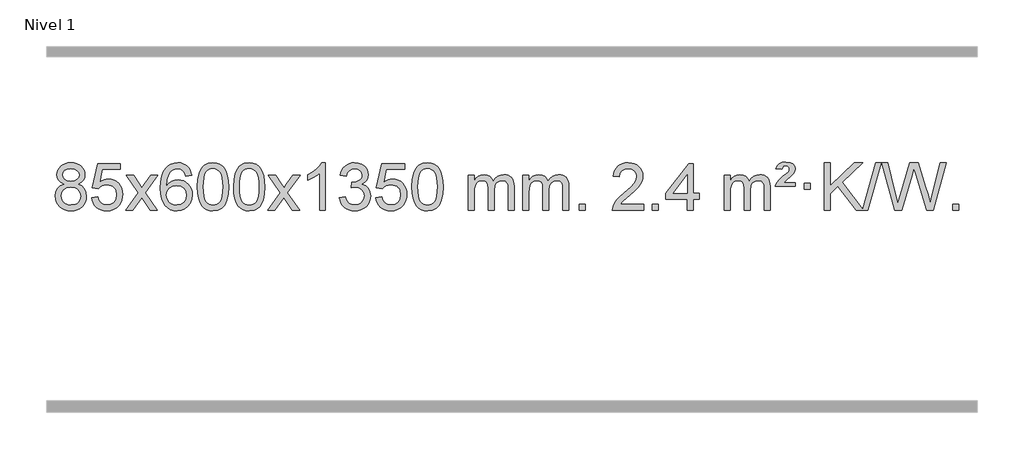
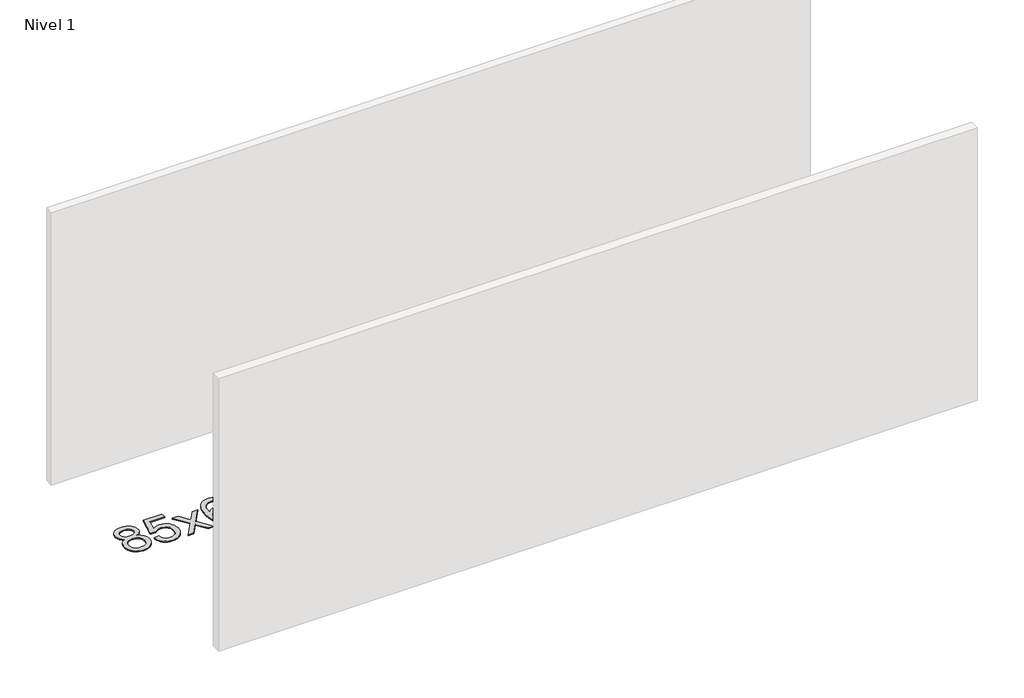
# One storey, part 4 of 7: 1 proxy.
"""IFC4 building model written with IfcOpenShell, lengths in millimetres."""

from ifc_helpers import new_model, si_unit, origin, origin_with_axes, place, context, project, spatial, polyline, outline, extrude, element, save

model = new_model("IFC4")

# Units and contexts
model_context = context("Model", 3, world=origin())
ifc_project = project(units=[si_unit("LENGTHUNIT", "METRE", prefix="MILLI")], contexts=[model_context])

# Site, building, storey
site = spatial("IfcSite", under=ifc_project)
building = spatial("IfcBuilding", under=site)
storey = spatial("IfcBuildingStorey", under=building, Name="Nivel 1", Elevation=0.0)

# Proxy
placement = place(None, origin())
element("IfcBuildingElementProxy", 1, Name="Texto de modelo 1", ObjectType="Texto de modelo 1", at=placement, inside=storey, context=model_context, shape_type="SweptSolid", body=[
    extrude(outline(polyline([(-6382.9857189, -6174.2616447), (-6409.8778927, -6161.0178929), (-6428.7502391, -6143.0652515), (-6439.8970635, -6120.7716026), (-6443.6126717, -6094.5048281), (-6441.5893207, -6074.0199324), (-6435.5192678, -6055.2395565), (-6425.4025129, -6038.1637006), (-6411.2390561, -6022.7923645), (-6393.709479, -6010.088173), (-6373.4943634, -6001.0137504), (-6350.5937092, -5995.5690969), (-6325.0075164, -5993.7542124), (-6299.2986964, -5995.6120165), (-6276.2263639, -6001.1854287), (-6255.7905191, -6010.4744491), (-6237.9911619, -6023.4790776), (-6223.5701876, -6039.1508506), (-6213.2694918, -6056.4413044), (-6207.0890743, -6075.3504389), (-6205.0289351, -6095.8782543), (-6208.6954923, -6121.2989001), (-6219.695164, -6143.2124043), (-6238.1505774, -6161.0546811), (-6264.1843599, -6174.2616447), (-6233.2700096, -6190.1909351), (-6210.7678942, -6213.6495436), (-6197.0458958, -6243.5092989), (-6192.4718963, -6278.6420295), (-6194.740502, -6303.6947933), (-6201.5463189, -6326.6628926), (-6212.8893471, -6347.5463272), (-6228.7695865, -6366.3450971), (-6248.3531714, -6381.88198), (-6270.8062358, -6392.9797536), (-6296.1287798, -6399.6384177), (-6324.3208034, -6401.8579724), (-6352.512827, -6399.6292206), (-6377.835371, -6392.9429654), (-6400.2884354, -6381.7992066), (-6419.8720203, -6366.1979443), (-6435.7522597, -6347.26735), (-6447.0952879, -6326.135595), (-6453.9011048, -6302.8026795), (-6456.1697105, -6277.2686033), (-6451.41177, -6240.7747094), (-6437.1379486, -6210.7555386), (-6414.0840102, -6188.2411605), (-6382.9857189, -6174.2616447)]), holes=[polyline([(-6393.3845166, -6095.9763561), (-6388.9331445, -6117.902123), (-6375.5790281, -6135.413306), (-6353.7145748, -6146.8912243), (-6323.7321922, -6150.717197), (-6294.4487854, -6146.9157497), (-6272.9154259, -6135.5114079), (-6259.6716741, -6118.5888361), (-6255.2570902, -6098.232699), (-6259.8188269, -6077.1040098), (-6273.5040371, -6059.629615), (-6295.3317022, -6047.8941794), (-6324.3208034, -6043.9823675), (-6353.4938456, -6047.8083402), (-6375.2847225, -6059.2862585), (-6388.8595681, -6076.1107284), (-6393.3845166, -6095.9763561)]), polyline([(-6405.9415554, -6275.5027698), (-6403.844628, -6294.7184726), (-6397.5538459, -6313.3210389), (-6385.9410376, -6329.5446349), (-6367.8780316, -6341.623427), (-6346.2465703, -6349.1282197), (-6323.9283959, -6351.6298173), (-6289.7398958, -6346.3691048), (-6275.8462192, -6339.7932141), (-6264.086258, -6330.5869672), (-6248.0466031, -6306.6869002), (-6242.7000514, -6277.0723996), (-6248.2182813, -6246.9551269), (-6264.7729711, -6222.5277625), (-6276.8517633, -6213.0854579), (-6291.0152201, -6206.3409547), (-6325.5961276, -6200.9453521), (-6359.3063811, -6206.2673783), (-6373.043708, -6212.919911), (-6384.7025015, -6222.2334569), (-6400.6317919, -6246.1948375), (-6405.9415554, -6275.5027698)])]), origin_with_axes(), (0.0, 0.0, 1.0), 10.0),
    extrude(outline(polyline([(-6148.5222606, -6288.8446235), (-6098.2941056, -6282.5661041), (-6089.0725302, -6312.7201649), (-6072.9838243, -6334.3148381), (-6050.1015642, -6347.3010725), (-6020.4993263, -6351.6298173), (-6001.3694626, -6350.1245668), (-5984.4959417, -6345.6088153), (-5969.8787638, -6338.0825628), (-5957.5179287, -6327.5458094), (-5947.6893481, -6314.519721), (-5940.6689334, -6299.5254641), (-5935.0526016, -6263.6324441), (-5940.3133141, -6229.8363514), (-5946.8892048, -6215.9181493), (-5956.0954517, -6203.9865099), (-5967.9627117, -6194.4154467), (-5982.5216417, -6187.5789729), (-6019.7145114, -6182.1097939), (-6044.0805622, -6184.2925604), (-6063.8112999, -6190.8408599), (-6079.568912, -6200.8717757), (-6092.0155862, -6213.5023908), (-6142.2437412, -6207.2238715), (-6098.2941056, -6000.0327318), (-5903.6600046, -6000.0327318), (-5903.6600046, -6050.2608869), (-6057.6799333, -6050.2608869), (-6079.1642418, -6160.919791), (-6061.438461, -6148.2155994), (-6043.2834845, -6139.1411769), (-6024.6993124, -6133.6965234), (-6005.6859446, -6131.8816388), (-5981.2248576, -6134.1318504), (-5958.7564648, -6140.882485), (-5938.2807661, -6152.1335427), (-5919.7977615, -6167.8850234), (-5904.4969362, -6187.1743027), (-5893.5677752, -6209.038756), (-5887.0102787, -6233.4783832), (-5884.8244465, -6260.4931844), (-5886.7926152, -6286.5147042), (-5892.6971212, -6310.7213394), (-5902.5379646, -6333.1130902), (-5916.3151453, -6353.6899565), (-5937.1863171, -6374.7634634), (-5961.5401052, -6389.8159684), (-5989.3765095, -6398.8474714), (-6020.69553, -6401.8579724), (-6046.6158823, -6399.9235262), (-6070.0285056, -6394.1201877), (-6090.9334, -6384.447957), (-6109.3305654, -6370.9068338), (-6124.6375221, -6354.1712688), (-6136.2717902, -6334.915712), (-6144.2333697, -6313.1401636), (-6148.5222606, -6288.8446235)])), origin_with_axes(), (0.0, 0.0, 1.0), 10.0),
    extrude(outline(polyline([(-5859.7103689, -6395.579453), (-5752.3869282, -6247.2494325), (-5853.4318496, -6100.4890419), (-5793.0011005, -6100.4890419), (-5744.2444734, -6171.122385), (-5721.4848406, -6204.4770192), (-5701.7663657, -6177.2047007), (-5646.2407099, -6100.4890419), (-5585.8099608, -6100.4890419), (-5691.9561791, -6247.2494325), (-5589.7340354, -6395.579453), (-5650.1647845, -6395.579453), (-5711.6746541, -6306.4048574), (-5722.9563686, -6290.1199477), (-5799.2796199, -6395.579453), (-5859.7103689, -6395.579453)])), origin_with_axes(), (0.0, 0.0, 1.0), 10.0),
    extrude(outline(polyline([(-5300.9221437, -6100.4890419), (-5351.1502988, -6106.7675613), (-5359.2437027, -6081.874213), (-5370.1820607, -6064.8780648), (-5392.9662189, -6049.2062918), (-5420.5083176, -6043.9823675), (-5443.8565616, -6047.0235253), (-5465.8313794, -6056.1469988), (-5484.7037258, -6075.3627017), (-5500.1179814, -6101.8134171), (-5510.5290419, -6139.227016), (-5514.3918028, -6191.3313693), (-5494.2441322, -6167.8237098), (-5470.0988106, -6151.2567573), (-5443.3047386, -6141.434308), (-5415.2108169, -6138.1601582), (-5391.077758, -6140.398107), (-5368.8086346, -6147.1119534), (-5348.4034466, -6158.3016975), (-5329.862194, -6173.9673391), (-5314.4540698, -6193.1769106), (-5303.4482668, -6214.9984443), (-5296.844785, -6239.4319401), (-5294.6436244, -6266.4773982), (-5298.7884282, -6302.4439945), (-5311.2228396, -6335.786366), (-5330.9167891, -6364.0642287), (-5356.840207, -6384.8372987), (-5387.815871, -6397.602804), (-5422.6665587, -6401.8579724), (-5452.6090874, -6399.0375437), (-5479.6514797, -6390.5762579), (-5503.7937357, -6376.4741147), (-5525.0358552, -6356.7311143), (-5542.3539001, -6330.5133908), (-5554.7239322, -6296.9870783), (-5562.1459515, -6256.1521768), (-5564.6199579, -6208.0086864), (-5561.8731057, -6154.0342663), (-5553.632549, -6107.9693092), (-5539.8982878, -6069.8138149), (-5520.6703222, -6039.5677835), (-5499.8298072, -6019.5243462), (-5475.6660915, -6005.2076052), (-5448.179175, -5996.6175606), (-5417.3690579, -5993.7542124), (-5394.2354118, -5995.5261773), (-5373.2967949, -6000.8420722), (-5354.5532073, -6009.7018969), (-5338.0046489, -6022.1056515), (-5324.0987094, -6037.6364031), (-5313.2829788, -6055.8772186), (-5305.5574569, -6076.8280983), (-5300.9221437, -6100.4890419)]), holes=[polyline([(-5514.3918028, -6265.6925832), (-5511.485535, -6287.9494439), (-5502.7667318, -6309.2007605), (-5489.2286743, -6327.472233), (-5471.8646442, -6340.7895612), (-5450.9076332, -6348.9197533), (-5426.5906333, -6351.6298173), (-5393.4444655, -6346.0134855), (-5379.5293291, -6338.9930708), (-5367.3861575, -6329.1644901), (-5357.5361171, -6316.9262824), (-5350.500374, -6302.6769865), (-5344.8717794, -6268.1451299), (-5350.4267976, -6234.9989621), (-5357.3705702, -6221.3781312), (-5367.0918519, -6209.725469), (-5379.2718117, -6200.3904634), (-5393.5916183, -6193.7226022), (-5428.6507725, -6188.3883133), (-5461.7478893, -6193.7226022), (-5489.4248781, -6209.725469), (-5500.3479076, -6221.2248471), (-5508.1500716, -6234.3858254), (-5512.83137, -6249.2084042), (-5514.3918028, -6265.6925832)])]), origin_with_axes(), (0.0, 0.0, 1.0), 10.0),
    extrude(outline(polyline([(-5250.6939887, -6197.9041943), (-5247.002906, -6133.5861588), (-5235.9296579, -6082.2911459), (-5217.5846091, -6043.2343407), (-5205.7265461, -6028.0009605), (-5192.0781241, -6015.6309284), (-5176.5933578, -6006.0598651), (-5159.2262619, -5999.2233914), (-5118.8450816, -5993.7542124), (-5087.8939431, -5996.991574), (-5060.1801661, -6006.7036586), (-5037.0036004, -6022.5103217), (-5019.6640957, -6044.0314184), (-5006.5674967, -6071.0830078), (-4996.119648, -6103.4811488), (-4989.2770429, -6144.6226186), (-4986.9961745, -6197.9041943), (-4990.650469, -6261.8543477), (-5001.6133525, -6313.0267333), (-5019.8480367, -6352.1203266), (-5031.6785085, -6367.3996922), (-5045.3177335, -6379.8341036), (-5060.8208939, -6389.4695462), (-5078.2431721, -6396.3520052), (-5118.8450816, -6401.8579724), (-5146.5098076, -6399.4667394), (-5171.035274, -6392.2930405), (-5192.4214806, -6380.3368757), (-5210.6684276, -6363.5982449), (-5228.1796106, -6333.3399508), (-5240.6875984, -6295.6381776), (-5248.1923911, -6250.4929255), (-5250.6939887, -6197.9041943)]), holes=[polyline([(-5200.4658336, -6197.8060924), (-5198.9943056, -6241.4706195), (-5194.5797217, -6276.8148822), (-5187.2220818, -6303.8388804), (-5176.9213859, -6322.5426142), (-5164.462449, -6335.2682656), (-5150.630086, -6344.3580165), (-5135.4242968, -6349.8118671), (-5118.8450816, -6351.6298173), (-5102.2658663, -6349.8057357), (-5087.0600772, -6344.3334911), (-5073.2277142, -6335.2130833), (-5060.7687773, -6322.4445124), (-5050.4680814, -6303.7101217), (-5043.1104415, -6276.6922549), (-5038.6958576, -6241.3909118), (-5037.2243296, -6197.8060924), (-5038.6468066, -6155.2973278), (-5042.9142378, -6120.5753989), (-5050.026623, -6093.6403055), (-5059.9839624, -6074.4920476), (-5072.2344328, -6061.1440625), (-5086.2262114, -6051.6097875), (-5101.959298, -6045.8892225), (-5119.4336928, -6043.9823675), (-5135.9270689, -6045.6623619), (-5150.8753406, -6050.7023452), (-5164.278508, -6059.1023175), (-5176.136571, -6070.8622786), (-5186.7806234, -6091.708925), (-5194.3835179, -6119.8151094), (-5198.9452547, -6155.1808319), (-5200.4658336, -6197.8060924)])]), origin_with_axes(), (0.0, 0.0, 1.0), 10.0),
    extrude(outline(polyline([(-4943.0465388, -6197.9041943), (-4939.3554561, -6133.5861588), (-4928.2822081, -6082.2911459), (-4909.9371593, -6043.2343407), (-4898.0790963, -6028.0009605), (-4884.4306743, -6015.6309284), (-4868.945908, -6006.0598651), (-4851.5788121, -5999.2233914), (-4811.1976318, -5993.7542124), (-4780.2464932, -5996.991574), (-4752.5327163, -6006.7036586), (-4729.3561506, -6022.5103217), (-4712.0166459, -6044.0314184), (-4698.9200468, -6071.0830078), (-4688.4721982, -6103.4811488), (-4681.6295931, -6144.6226186), (-4679.3487247, -6197.9041943), (-4683.0030192, -6261.8543477), (-4693.9659026, -6313.0267333), (-4712.2005869, -6352.1203266), (-4724.0310587, -6367.3996922), (-4737.6702837, -6379.8341036), (-4753.1734441, -6389.4695462), (-4770.5957222, -6396.3520052), (-4811.1976318, -6401.8579724), (-4838.8623578, -6399.4667394), (-4863.3878241, -6392.2930405), (-4884.7740308, -6380.3368757), (-4903.0209778, -6363.5982449), (-4920.5321607, -6333.3399508), (-4933.0401486, -6295.6381776), (-4940.5449413, -6250.4929255), (-4943.0465388, -6197.9041943)]), holes=[polyline([(-4892.8183838, -6197.8060924), (-4891.3468558, -6241.4706195), (-4886.9322718, -6276.8148822), (-4879.5746319, -6303.8388804), (-4869.2739361, -6322.5426142), (-4856.8149992, -6335.2682656), (-4842.9826361, -6344.3580165), (-4827.776847, -6349.8118671), (-4811.1976318, -6351.6298173), (-4794.6184165, -6349.8057357), (-4779.4126274, -6344.3334911), (-4765.5802644, -6335.2130833), (-4753.1213275, -6322.4445124), (-4742.8206316, -6303.7101217), (-4735.4629917, -6276.6922549), (-4731.0484077, -6241.3909118), (-4729.5768798, -6197.8060924), (-4730.9993568, -6155.2973278), (-4735.266788, -6120.5753989), (-4742.3791732, -6093.6403055), (-4752.3365125, -6074.4920476), (-4764.586983, -6061.1440625), (-4778.5787615, -6051.6097875), (-4794.3118482, -6045.8892225), (-4811.786243, -6043.9823675), (-4828.2796191, -6045.6623619), (-4843.2278908, -6050.7023452), (-4856.6310582, -6059.1023175), (-4868.4891211, -6070.8622786), (-4879.1331735, -6091.708925), (-4886.7360681, -6119.8151094), (-4891.2978048, -6155.1808319), (-4892.8183838, -6197.8060924)])]), origin_with_axes(), (0.0, 0.0, 1.0), 10.0),
    extrude(outline(polyline([(-4654.2346472, -6395.579453), (-4546.9112064, -6247.2494325), (-4647.9561278, -6100.4890419), (-4587.5253787, -6100.4890419), (-4538.7687516, -6171.122385), (-4516.0091188, -6204.4770192), (-4496.2906439, -6177.2047007), (-4440.7649881, -6100.4890419), (-4380.334239, -6100.4890419), (-4486.4804574, -6247.2494325), (-4384.2583136, -6395.579453), (-4444.6890627, -6395.579453), (-4506.1989323, -6306.4048574), (-4517.4806468, -6290.1199477), (-4593.8038981, -6395.579453), (-4654.2346472, -6395.579453)])), origin_with_axes(), (0.0, 0.0, 1.0), 10.0),
    extrude(outline(polyline([(-4164.5101352, -6395.579453), (-4214.7382902, -6395.579453), (-4214.7382902, -6082.4382987), (-4235.707564, -6099.3976587), (-4262.317695, -6116.3324932), (-4315.1946004, -6141.6918254), (-4315.1946004, -6094.2105225), (-4275.7453878, -6072.7507395), (-4241.5691504, -6047.219729), (-4214.6279257, -6020.0700378), (-4196.8837508, -5993.7542124), (-4164.5101352, -5993.7542124), (-4164.5101352, -6395.579453)])), origin_with_axes(), (0.0, 0.0, 1.0), 10.0),
    extrude(outline(polyline([(-4045.2182669, -6288.8446235), (-3994.9901118, -6282.5661041), (-3983.7451855, -6314.1303793), (-3967.2763348, -6335.4430095), (-3944.7742195, -6347.5831154), (-3915.429499, -6351.6298173), (-3880.9957442, -6346.0625364), (-3866.7219228, -6339.1034354), (-3854.4101387, -6329.3606939), (-3837.4139905, -6304.4428201), (-3831.7486078, -6274.2274455), (-3837.3649396, -6245.5449126), (-3854.213935, -6222.2825078), (-3879.72042, -6206.8682522), (-3911.3092206, -6201.730167), (-3946.5277903, -6207.2238715), (-3940.935984, -6156.9957164), (-3932.891631, -6157.5843276), (-3902.7988838, -6153.979084), (-3875.8944472, -6143.1633534), (-3864.8211992, -6134.9841103), (-3856.9117363, -6124.8673555), (-3852.1660585, -6112.8130888), (-3850.584166, -6098.8213102), (-3855.1704282, -6077.1285352), (-3868.9292148, -6059.5315131), (-3889.923014, -6047.8696539), (-3916.2143139, -6043.9823675), (-3942.5546648, -6047.9064421), (-3964.0880242, -6059.6786659), (-3979.8088481, -6079.299039), (-3988.7115924, -6106.7675613), (-4038.9397475, -6100.4890419), (-4032.9861905, -6076.5092672), (-4024.1508913, -6055.3867093), (-4012.4338497, -6037.1213683), (-3997.8350659, -6021.713244), (-3980.8143922, -6009.4811677), (-3961.8316813, -6000.7439703), (-3940.886933, -5995.5016519), (-3917.9801475, -5993.7542124), (-3886.4036096, -5997.2000404), (-3857.4022456, -6007.5375245), (-3832.9503557, -6023.8469596), (-3815.0222398, -6045.2086408), (-3804.0225681, -6069.8199463), (-3800.3560109, -6095.8782543), (-3803.8386271, -6120.1584659), (-3814.2864758, -6142.1823347), (-3831.5524041, -6160.9443165), (-3855.4892592, -6175.4388671), (-3824.0476114, -6188.1430586), (-3800.7484183, -6209.77452), (-3786.3274441, -6239.1560286), (-3781.5204527, -6275.1103623), (-3783.9239484, -6300.5923218), (-3791.1344355, -6324.0631931), (-3803.151914, -6345.5229762), (-3819.976384, -6364.971671), (-3840.4735425, -6381.1094278), (-3863.5090867, -6392.636397), (-3889.0830168, -6399.5525785), (-3917.1953326, -6401.8579724), (-3942.6037157, -6399.8898037), (-3965.7557559, -6393.9852977), (-3986.6514532, -6384.1444543), (-4005.2908077, -6370.3672736), (-4020.9196611, -6353.4630959), (-4032.7838554, -6334.2412617), (-4040.8833907, -6312.7017708), (-4045.2182669, -6288.8446235)])), origin_with_axes(), (0.0, 0.0, 1.0), 10.0),
    extrude(outline(polyline([(-3737.570817, -6288.8446235), (-3687.342662, -6282.5661041), (-3678.1210866, -6312.7201649), (-3662.0323807, -6334.3148381), (-3639.1501206, -6347.3010725), (-3609.5478827, -6351.6298173), (-3590.418019, -6350.1245668), (-3573.5444981, -6345.6088153), (-3558.9273202, -6338.0825628), (-3546.5664851, -6327.5458094), (-3536.7379045, -6314.519721), (-3529.7174898, -6299.5254641), (-3524.101158, -6263.6324441), (-3529.3618705, -6229.8363514), (-3535.9377612, -6215.9181493), (-3545.1440081, -6203.9865099), (-3557.0112681, -6194.4154467), (-3571.5701981, -6187.5789729), (-3608.7630678, -6182.1097939), (-3633.1291186, -6184.2925604), (-3652.8598563, -6190.8408599), (-3668.6174684, -6200.8717757), (-3681.0641426, -6213.5023908), (-3731.2922977, -6207.2238715), (-3687.342662, -6000.0327318), (-3492.708561, -6000.0327318), (-3492.708561, -6050.2608869), (-3646.7284897, -6050.2608869), (-3668.2127982, -6160.919791), (-3650.4870174, -6148.2155994), (-3632.332041, -6139.1411769), (-3613.7478688, -6133.6965234), (-3594.734501, -6131.8816388), (-3570.273414, -6134.1318504), (-3547.8050212, -6140.882485), (-3527.3293225, -6152.1335427), (-3508.8463179, -6167.8850234), (-3493.5454926, -6187.1743027), (-3482.6163316, -6209.038756), (-3476.0588351, -6233.4783832), (-3473.8730029, -6260.4931844), (-3475.8411716, -6286.5147042), (-3481.7456776, -6310.7213394), (-3491.586521, -6333.1130902), (-3505.3637017, -6353.6899565), (-3526.2348735, -6374.7634634), (-3550.5886616, -6389.8159684), (-3578.4250659, -6398.8474714), (-3609.7440864, -6401.8579724), (-3635.6644387, -6399.9235262), (-3659.077062, -6394.1201877), (-3679.9819564, -6384.447957), (-3698.3791218, -6370.9068338), (-3713.6860785, -6354.1712688), (-3725.3203466, -6334.915712), (-3733.2819261, -6313.1401636), (-3737.570817, -6288.8446235)])), origin_with_axes(), (0.0, 0.0, 1.0), 10.0),
    extrude(outline(polyline([(-3429.9233672, -6197.9041943), (-3426.2322845, -6133.5861588), (-3415.1590365, -6082.2911459), (-3396.8139876, -6043.2343407), (-3384.9559247, -6028.0009605), (-3371.3075026, -6015.6309284), (-3355.8227363, -6006.0598651), (-3338.4556405, -5999.2233914), (-3298.0744601, -5993.7542124), (-3267.1233216, -5996.991574), (-3239.4095446, -6006.7036586), (-3216.2329789, -6022.5103217), (-3198.8934742, -6044.0314184), (-3185.7968752, -6071.0830078), (-3175.3490265, -6103.4811488), (-3168.5064214, -6144.6226186), (-3166.2255531, -6197.9041943), (-3169.8798475, -6261.8543477), (-3180.842731, -6313.0267333), (-3199.0774152, -6352.1203266), (-3210.9078871, -6367.3996922), (-3224.547112, -6379.8341036), (-3240.0502724, -6389.4695462), (-3257.4725506, -6396.3520052), (-3298.0744601, -6401.8579724), (-3325.7391862, -6399.4667394), (-3350.2646525, -6392.2930405), (-3371.6508592, -6380.3368757), (-3389.8978061, -6363.5982449), (-3407.4089891, -6333.3399508), (-3419.9169769, -6295.6381776), (-3427.4217696, -6250.4929255), (-3429.9233672, -6197.9041943)]), holes=[polyline([(-3379.6952121, -6197.8060924), (-3378.2236842, -6241.4706195), (-3373.8091002, -6276.8148822), (-3366.4514603, -6303.8388804), (-3356.1507644, -6322.5426142), (-3343.6918275, -6335.2682656), (-3329.8594645, -6344.3580165), (-3314.6536754, -6349.8118671), (-3298.0744601, -6351.6298173), (-3281.4952449, -6349.8057357), (-3266.2894558, -6344.3334911), (-3252.4570927, -6335.2130833), (-3239.9981558, -6322.4445124), (-3229.69746, -6303.7101217), (-3222.3398201, -6276.6922549), (-3217.9252361, -6241.3909118), (-3216.4537081, -6197.8060924), (-3217.8761852, -6155.2973278), (-3222.1436163, -6120.5753989), (-3229.2560016, -6093.6403055), (-3239.2133409, -6074.4920476), (-3251.4638113, -6061.1440625), (-3265.4555899, -6051.6097875), (-3281.1886766, -6045.8892225), (-3298.6630713, -6043.9823675), (-3315.1564474, -6045.6623619), (-3330.1047192, -6050.7023452), (-3343.5078865, -6059.1023175), (-3355.3659495, -6070.8622786), (-3366.0100019, -6091.708925), (-3373.6128965, -6119.8151094), (-3378.1746332, -6155.1808319), (-3379.6952121, -6197.8060924)])]), origin_with_axes(), (0.0, 0.0, 1.0), 10.0),
    extrude(outline(polyline([(-2952.755894, -6395.579453), (-2952.755894, -6100.4890419), (-2902.5277389, -6100.4890419), (-2902.5277389, -6149.0494653), (-2887.4200517, -6126.7435537), (-2867.9958823, -6109.2691589), (-2844.9174185, -6097.9751816), (-2818.8468478, -6094.2105225), (-2790.9123416, -6098.048758), (-2768.5205908, -6109.5634645), (-2751.7942228, -6127.9943524), (-2740.8558648, -6152.5811324), (-2722.5476041, -6127.0439906), (-2701.6641696, -6108.803175), (-2678.205561, -6097.8586857), (-2652.1717785, -6094.2105225), (-2632.0639617, -6095.7280358), (-2614.414823, -6100.2805755), (-2599.2243623, -6107.8681416), (-2586.4925796, -6118.4907342), (-2576.4279413, -6132.2709806), (-2569.238914, -6149.3315082), (-2564.9254976, -6169.6723168), (-2563.4876922, -6193.2934066), (-2563.4876922, -6395.579453), (-2613.7158472, -6395.579453), (-2613.7158472, -6214.875817), (-2614.8808069, -6189.8230531), (-2618.3756858, -6172.9372695), (-2624.9239854, -6161.3735121), (-2635.2492067, -6152.2868268), (-2648.5297467, -6146.4007149), (-2663.9440023, -6144.4386776), (-2691.1550072, -6149.4663982), (-2713.3382915, -6164.54956), (-2721.9436645, -6176.1194488), (-2728.0903595, -6190.7182326), (-2733.0077155, -6229.0024856), (-2733.0077155, -6395.579453), (-2783.2358706, -6395.579453), (-2783.2358706, -6209.2840106), (-2786.1421384, -6180.8835206), (-2794.8609417, -6160.6254854), (-2810.2016209, -6148.4853796), (-2832.9735164, -6144.4386776), (-2852.3241093, -6147.1364789), (-2870.1541233, -6155.2298828), (-2884.8694032, -6168.5226856), (-2894.8757934, -6186.8186835), (-2900.6147525, -6212.2025411), (-2902.5277389, -6246.7589232), (-2902.5277389, -6395.579453), (-2952.755894, -6395.579453)])), origin_with_axes(), (0.0, 0.0, 1.0), 10.0),
    extrude(outline(polyline([(-2488.1454596, -6395.579453), (-2488.1454596, -6100.4890419), (-2437.9173045, -6100.4890419), (-2437.9173045, -6149.0494653), (-2422.8096172, -6126.7435537), (-2403.3854479, -6109.2691589), (-2380.306984, -6097.9751816), (-2354.2364133, -6094.2105225), (-2326.3019071, -6098.048758), (-2303.9101564, -6109.5634645), (-2287.1837883, -6127.9943524), (-2276.2454303, -6152.5811324), (-2257.9371697, -6127.0439906), (-2237.0537351, -6108.803175), (-2213.5951266, -6097.8586857), (-2187.561344, -6094.2105225), (-2167.4535273, -6095.7280358), (-2149.8043886, -6100.2805755), (-2134.6139279, -6107.8681416), (-2121.8821452, -6118.4907342), (-2111.8175069, -6132.2709806), (-2104.6284796, -6149.3315082), (-2100.3150632, -6169.6723168), (-2098.8772577, -6193.2934066), (-2098.8772577, -6395.579453), (-2149.1054128, -6395.579453), (-2149.1054128, -6214.875817), (-2150.2703724, -6189.8230531), (-2153.7652514, -6172.9372695), (-2160.3135509, -6161.3735121), (-2170.6387722, -6152.2868268), (-2183.9193123, -6146.4007149), (-2199.3335679, -6144.4386776), (-2226.5445728, -6149.4663982), (-2248.7278571, -6164.54956), (-2257.3332301, -6176.1194488), (-2263.4799251, -6190.7182326), (-2268.3972811, -6229.0024856), (-2268.3972811, -6395.579453), (-2318.6254362, -6395.579453), (-2318.6254362, -6209.2840106), (-2321.5317039, -6180.8835206), (-2330.2505072, -6160.6254854), (-2345.5911864, -6148.4853796), (-2368.3630819, -6144.4386776), (-2387.7136749, -6147.1364789), (-2405.5436889, -6155.2298828), (-2420.2589687, -6168.5226856), (-2430.265359, -6186.8186835), (-2436.0043181, -6212.2025411), (-2437.9173045, -6246.7589232), (-2437.9173045, -6395.579453), (-2488.1454596, -6395.579453)])), origin_with_axes(), (0.0, 0.0, 1.0), 10.0),
    extrude(outline(polyline([(-2010.9779863, -6395.579453), (-2010.9779863, -6345.3512979), (-1960.7498313, -6345.3512979), (-1960.7498313, -6395.579453), (-2010.9779863, -6395.579453)])), origin_with_axes(), (0.0, 0.0, 1.0), 10.0),
    extrude(outline(polyline([(-1464.7467999, -6345.3512979), (-1464.7467999, -6395.579453), (-1728.444614, -6395.579453), (-1727.3409681, -6377.8965918), (-1723.0490115, -6360.9494945), (-1710.6636509, -6333.8856424), (-1692.5393313, -6307.6311307), (-1666.3216078, -6280.1503456), (-1629.6560356, -6249.4076736), (-1575.454755, -6201.2641831), (-1542.9339866, -6165.7267824), (-1526.6736024, -6136.884834), (-1521.2534744, -6108.8277005), (-1526.3670341, -6083.6768347), (-1541.7077133, -6062.7688747), (-1565.2889492, -6048.6789943), (-1595.124179, -6043.9823675), (-1626.4554623, -6048.5686297), (-1650.7969876, -6062.3274163), (-1666.5055488, -6084.1796068), (-1671.9379396, -6113.0460807), (-1722.1660947, -6106.7675613), (-1717.8465469, -6080.838012), (-1709.9892006, -6058.1826125), (-1698.5940558, -6038.8013627), (-1683.6611125, -6022.6942627), (-1665.5337272, -6010.0329907), (-1644.5552564, -6000.989225), (-1620.7257002, -5995.5629655), (-1594.0450585, -5993.7542124), (-1567.1252935, -5995.7653006), (-1543.1669785, -6001.7985654), (-1522.1701137, -6011.8540066), (-1504.1346989, -6025.9316242), (-1489.6493453, -6042.9890861), (-1479.3026642, -6061.9840598), (-1473.0946555, -6082.9165453), (-1471.0253193, -6105.7865427), (-1473.2571367, -6129.8092369), (-1479.952589, -6153.4149983), (-1491.8351775, -6177.4254299), (-1509.6284033, -6202.6621347), (-1537.9921051, -6232.7916701), (-1581.5861216, -6271.4805933), (-1639.3681203, -6319.795762), (-1662.0296512, -6345.3512979), (-1464.7467999, -6345.3512979)])), origin_with_axes(), (0.0, 0.0, 1.0), 10.0),
    extrude(outline(polyline([(-1389.4045673, -6395.579453), (-1389.4045673, -6345.3512979), (-1339.1764122, -6345.3512979), (-1339.1764122, -6395.579453), (-1389.4045673, -6395.579453)])), origin_with_axes(), (0.0, 0.0, 1.0), 10.0),
    extrude(outline(polyline([(-1094.3141562, -6395.579453), (-1094.3141562, -6301.4016622), (-1276.3912184, -6301.4016622), (-1276.3912184, -6251.1735072), (-1081.7571175, -6000.0327318), (-1044.0860012, -6000.0327318), (-1044.0860012, -6251.1735072), (-993.8578461, -6251.1735072), (-993.8578461, -6301.4016622), (-1044.0860012, -6301.4016622), (-1044.0860012, -6395.579453), (-1094.3141562, -6395.579453)]), holes=[polyline([(-1094.3141562, -6251.1735072), (-1094.3141562, -6095.9763561), (-1214.5870432, -6251.1735072), (-1094.3141562, -6251.1735072)])]), origin_with_axes(), (0.0, 0.0, 1.0), 10.0),
    extrude(outline(polyline([(-780.388187, -6395.579453), (-780.388187, -6100.4890419), (-730.1600319, -6100.4890419), (-730.1600319, -6149.0494653), (-715.0523447, -6126.7435537), (-695.6281753, -6109.2691589), (-672.5497115, -6097.9751816), (-646.4791408, -6094.2105225), (-618.5446346, -6098.048758), (-596.1528838, -6109.5634645), (-579.4265158, -6127.9943524), (-568.4881578, -6152.5811324), (-550.1798972, -6127.0439906), (-529.2964626, -6108.803175), (-505.837854, -6097.8586857), (-479.8040715, -6094.2105225), (-459.6962548, -6095.7280358), (-442.047116, -6100.2805755), (-426.8566553, -6107.8681416), (-414.1248726, -6118.4907342), (-404.0602344, -6132.2709806), (-396.871207, -6149.3315082), (-392.5577906, -6169.6723168), (-391.1199852, -6193.2934066), (-391.1199852, -6395.579453), (-441.3481403, -6395.579453), (-441.3481403, -6214.875817), (-442.5130999, -6189.8230531), (-446.0079789, -6172.9372695), (-452.5562784, -6161.3735121), (-462.8814997, -6152.2868268), (-476.1620397, -6146.4007149), (-491.5762953, -6144.4386776), (-518.7873002, -6149.4663982), (-540.9705845, -6164.54956), (-549.5759576, -6176.1194488), (-555.7226526, -6190.7182326), (-560.6400086, -6229.0024856), (-560.6400086, -6395.579453), (-610.8681636, -6395.579453), (-610.8681636, -6209.2840106), (-613.7744314, -6180.8835206), (-622.4932347, -6160.6254854), (-637.8339139, -6148.4853796), (-660.6058094, -6144.4386776), (-679.9564023, -6147.1364789), (-697.7864164, -6155.2298828), (-712.5016962, -6168.5226856), (-722.5080864, -6186.8186835), (-728.2470456, -6212.2025411), (-730.1600319, -6246.7589232), (-730.1600319, -6395.579453), (-780.388187, -6395.579453)])), origin_with_axes(), (0.0, 0.0, 1.0), 10.0),
    extrude(outline(polyline([(-347.1703495, -6194.6668327), (-343.3443767, -6178.8479069), (-335.0057182, -6162.9799302), (-313.4968842, -6137.8413272), (-281.5402016, -6110.1030247), (-237.3943621, -6072.726214), (-230.2574514, -6061.1992448), (-227.8784812, -6049.3779701), (-229.7669421, -6037.2869152), (-235.4323248, -6027.5012541), (-244.801053, -6021.026531), (-257.7995501, -6018.8682899), (-270.2339616, -6020.4869707), (-279.0876549, -6025.343013), (-285.5133271, -6034.8098431), (-290.663675, -6050.2608869), (-340.8918301, -6043.9823675), (-330.051574, -6018.7701881), (-313.4233078, -6001.2099542), (-289.6581309, -5990.9092583), (-257.4071427, -5987.475693), (-221.6244873, -5991.6082341), (-196.8782917, -6004.0058573), (-182.4573175, -6022.3386434), (-177.6503261, -6044.2766731), (-181.746079, -6067.1834586), (-194.0333376, -6088.8149199), (-214.561153, -6108.6314968), (-251.0305214, -6136.6886303), (-276.6351083, -6163.2742358), (-177.6503261, -6163.2742358), (-177.6503261, -6194.6668327), (-347.1703495, -6194.6668327)])), origin_with_axes(), (0.0, 0.0, 1.0), 10.0),
    extrude(outline(polyline([(-102.3080935, -6219.7809102), (-102.3080935, -6169.5527552), (-52.0799384, -6169.5527552), (-52.0799384, -6219.7809102), (-102.3080935, -6219.7809102)])), origin_with_axes(), (0.0, 0.0, 1.0), 10.0),
    extrude(outline(polyline([(338.5616895, -6395.579453), (185.1303721, -6192.9009991), (117.440085, -6257.4520265), (117.440085, -6395.579453), (67.2119299, -6395.579453), (67.2119299, -5993.7542124), (117.440085, -5993.7542124), (117.440085, -6190.4484525), (323.4540023, -5993.7542124), (393.6949379, -5993.7542124), (220.7413492, -6158.9577537), (395.3949591, -6389.5349332), (506.7082868, -5993.7542124), (552.0313486, -5993.7542124), (439.0179997, -6395.579453), (399.9734572, -6395.579453), (393.6949379, -6395.579453), (338.5616895, -6395.579453)])), origin_with_axes(), (0.0, 0.0, 1.0), 10.0),
    extrude(outline(polyline([(666.5162255, -6395.579453), (556.9364419, -5993.7542124), (608.7342268, -5993.7542124), (672.3042355, -6257.844434), (691.9246086, -6339.3670841), (712.9184078, -6267.2622131), (792.5771225, -5993.7542124), (867.2326421, -5993.7542124), (925.1127426, -6192.0180823), (949.9079891, -6265.5944814), (968.1794615, -6339.3670841), (987.2112234, -6260.1988788), (1051.3698434, -5993.7542124), (1103.1676283, -5993.7542124), (993.4897428, -6395.579453), (939.8280224, -6395.579453), (843.4919906, -6085.5775584), (830.0520351, -6042.3146358), (814.9443478, -6094.4067263), (727.1431783, -6395.579453), (666.5162255, -6395.579453)])), origin_with_axes(), (0.0, 0.0, 1.0), 10.0),
    extrude(outline(polyline([(1159.6743028, -6395.579453), (1159.6743028, -6345.3512979), (1209.9024578, -6345.3512979), (1209.9024578, -6395.579453), (1159.6743028, -6395.579453)])), origin_with_axes(), (0.0, 0.0, 1.0), 10.0),
])

save(model, "model.ifc")
